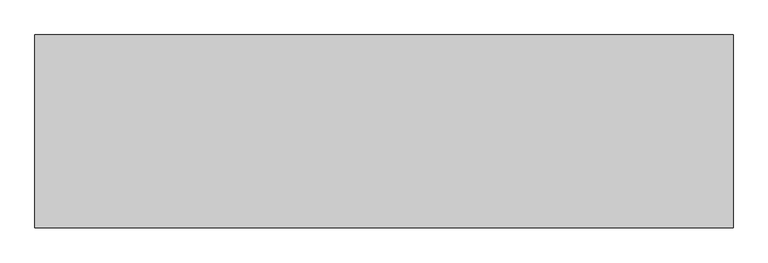
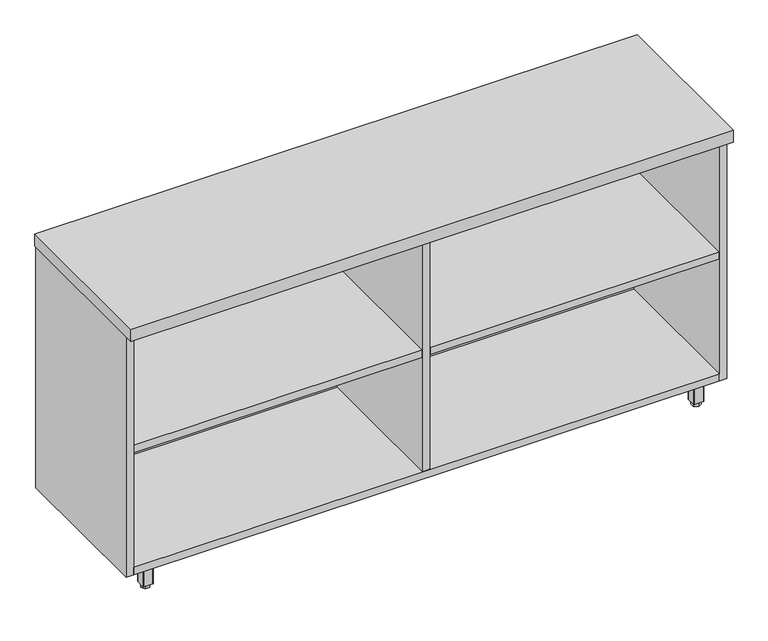
"""IFC4 building model written with IfcOpenShell, lengths in millimetres: furniture geometry."""

from ifc_helpers import new_model, si_unit, point, frame, frame_2d, origin, origin_with_axes, place, context, project, spatial, polyline, circle_curve, trimmed, segment, composite_curve, outline, extrude, source, transform, mapped, element, save


def furniture_92ad686e(model_context):
    return source(origin(), model_context, "Body", "SweptSolid", [
        extrude(outline(composite_curve([segment(trimmed(circle_curve(frame_2d((758.825004, -217.6283713)), 4.445), [point((763.270004, -217.6283713))], [point((754.380004, -217.6283713))], False, "CARTESIAN"), True, "CONTINUOUS"), segment(trimmed(circle_curve(frame_2d((758.825004, -217.6283713)), 4.445), [point((754.380004, -217.6283713))], [point((763.270004, -217.6283713))], False, "CARTESIAN"), True, "CONTINUOUS")], self_intersect=False)), frame((0.0, 0.0, 7.112), z_axis=(0.0, 0.0, 1.0), x_axis=(1.0, 0.0, 0.0)), (0.0, 0.0, 1.0), 2.032),
        extrude(outline(polyline([(764.5122227, -207.7297009), (770.2272227, -217.6283713), (764.5122227, -227.5270417), (753.0822227, -227.5270417), (747.3672227, -217.6283713), (753.0822227, -207.7297009), (764.5122227, -207.7297009)])), origin_with_axes(), (0.0, 0.0, 1.0), 9.144),
        extrude(outline(composite_curve([segment(trimmed(circle_curve(frame_2d((720.598004, -246.2033713)), 3.175), [point((720.598004, -249.3783713))], [point((717.423004, -246.2033713))], False, "CARTESIAN"), True, "CONTINUOUS"), segment(polyline([(717.423004, -246.2033713), (717.423004, -189.0533713)]), True, "CONTINUOUS"), segment(trimmed(circle_curve(frame_2d((720.598004, -189.0533713)), 3.175), [point((717.423004, -189.0533713))], [point((720.598004, -185.8783713))], False, "CARTESIAN"), True, "CONTINUOUS"), segment(polyline([(720.598004, -185.8783713), (797.052004, -185.8783713)]), True, "CONTINUOUS"), segment(trimmed(circle_curve(frame_2d((797.052004, -189.0533713)), 3.175), [point((797.052004, -185.8783713))], [point((800.227004, -189.0533713))], False, "CARTESIAN"), True, "CONTINUOUS"), segment(polyline([(800.227004, -189.0533713), (800.227004, -246.2033713)]), True, "CONTINUOUS"), segment(trimmed(circle_curve(frame_2d((797.052004, -246.2033713)), 3.175), [point((800.227004, -246.2033713))], [point((797.052004, -249.3783713))], False, "CARTESIAN"), True, "CONTINUOUS"), segment(polyline([(797.052004, -249.3783713), (720.598004, -249.3783713)]), True, "CONTINUOUS")], self_intersect=False)), frame((0.0, 0.0, 58.3692), z_axis=(0.0, 0.0, 1.0), x_axis=(1.0, 0.0, 0.0)), (0.0, 0.0, 1.0), 1.89738),
        extrude(outline(composite_curve([segment(polyline([(770.255004, -230.3283713), (747.395004, -230.3283713)]), True, "CONTINUOUS"), segment(trimmed(circle_curve(frame_2d((747.395004, -229.0583713)), 1.27), [point((747.395004, -230.3283713))], [point((746.125004, -229.0583713))], False, "CARTESIAN"), True, "CONTINUOUS"), segment(polyline([(746.125004, -229.0583713), (746.125004, -206.1983713)]), True, "CONTINUOUS"), segment(trimmed(circle_curve(frame_2d((747.395004, -206.1983713)), 1.27), [point((746.125004, -206.1983713))], [point((747.395004, -204.9283713))], False, "CARTESIAN"), True, "CONTINUOUS"), segment(polyline([(747.395004, -204.9283713), (770.255004, -204.9283713)]), True, "CONTINUOUS"), segment(trimmed(circle_curve(frame_2d((770.255004, -206.1983713)), 1.27), [point((770.255004, -204.9283713))], [point((771.525004, -206.1983713))], False, "CARTESIAN"), True, "CONTINUOUS"), segment(polyline([(771.525004, -206.1983713), (771.525004, -229.0583713)]), True, "CONTINUOUS"), segment(trimmed(circle_curve(frame_2d((770.255004, -229.0583713)), 1.27), [point((771.525004, -229.0583713))], [point((770.255004, -230.3283713))], False, "CARTESIAN"), True, "CONTINUOUS")], self_intersect=False)), frame((0.0, 0.0, 9.144), z_axis=(0.0, 0.0, 1.0), x_axis=(1.0, 0.0, 0.0)), (0.0, 0.0, 1.0), 49.2252),
        extrude(outline(polyline([(70.8025, -367.813183), (76.5175, -377.7118534), (70.8025, -387.6105237), (59.3725, -387.6105237), (53.6575, -377.7118534), (59.3725, -367.813183), (70.8025, -367.813183)])), origin_with_axes(), (0.0, 0.0, 1.0), 9.144),
        extrude(outline(composite_curve([segment(trimmed(circle_curve(frame_2d((65.0875, -377.7118534)), 4.445), [point((69.5325, -377.7118534))], [point((60.6425, -377.7118534))], False, "CARTESIAN"), True, "CONTINUOUS"), segment(trimmed(circle_curve(frame_2d((65.0875, -377.7118534)), 4.445), [point((60.6425, -377.7118534))], [point((69.5325, -377.7118534))], False, "CARTESIAN"), True, "CONTINUOUS")], self_intersect=False)), frame((0.0, 0.0, 7.112), z_axis=(0.0, 0.0, 1.0), x_axis=(1.0, 0.0, 0.0)), (0.0, 0.0, 1.0), 2.032),
        extrude(outline(composite_curve([segment(trimmed(circle_curve(frame_2d((11.1125, -393.5868534)), 3.175), [point((11.1125, -396.7618534))], [point((7.9375, -393.5868534))], False, "CARTESIAN"), True, "CONTINUOUS"), segment(polyline([(7.9375, -393.5868534), (7.9375, -323.7368534)]), True, "CONTINUOUS"), segment(trimmed(circle_curve(frame_2d((11.1125, -323.7368534)), 3.175), [point((7.9375, -323.7368534))], [point((11.1125, -320.5618534))], False, "CARTESIAN"), True, "CONTINUOUS"), segment(polyline([(11.1125, -320.5618534), (80.9625, -320.5618534)]), True, "CONTINUOUS"), segment(trimmed(circle_curve(frame_2d((80.9625, -323.7368534)), 3.175), [point((80.9625, -320.5618534))], [point((84.1375, -323.7368534))], False, "CARTESIAN"), True, "CONTINUOUS"), segment(polyline([(84.1375, -323.7368534), (84.1375, -393.5868534)]), True, "CONTINUOUS"), segment(trimmed(circle_curve(frame_2d((80.9625, -393.5868534)), 3.175), [point((84.1375, -393.5868534))], [point((80.9625, -396.7618534))], False, "CARTESIAN"), True, "CONTINUOUS"), segment(polyline([(80.9625, -396.7618534), (11.1125, -396.7618534)]), True, "CONTINUOUS")], self_intersect=False)), frame((0.0, 0.0, 58.3692), z_axis=(0.0, 0.0, 1.0), x_axis=(1.0, 0.0, 0.0)), (0.0, 0.0, 1.0), 1.89738),
        extrude(outline(composite_curve([segment(polyline([(76.5175, -390.4118534), (53.6575, -390.4118534)]), True, "CONTINUOUS"), segment(trimmed(circle_curve(frame_2d((53.6575, -389.1418534)), 1.27), [point((53.6575, -390.4118534))], [point((52.3875, -389.1418534))], False, "CARTESIAN"), True, "CONTINUOUS"), segment(polyline([(52.3875, -389.1418534), (52.3875, -366.2818534)]), True, "CONTINUOUS"), segment(trimmed(circle_curve(frame_2d((53.6575, -366.2818534)), 1.27), [point((52.3875, -366.2818534))], [point((53.6575, -365.0118534))], False, "CARTESIAN"), True, "CONTINUOUS"), segment(polyline([(53.6575, -365.0118534), (76.5175, -365.0118534)]), True, "CONTINUOUS"), segment(trimmed(circle_curve(frame_2d((76.5175, -366.2818534)), 1.27), [point((76.5175, -365.0118534))], [point((77.7875, -366.2818534))], False, "CARTESIAN"), True, "CONTINUOUS"), segment(polyline([(77.7875, -366.2818534), (77.7875, -389.1418534)]), True, "CONTINUOUS"), segment(trimmed(circle_curve(frame_2d((76.5175, -389.1418534)), 1.27), [point((77.7875, -389.1418534))], [point((76.5175, -390.4118534))], False, "CARTESIAN"), True, "CONTINUOUS")], self_intersect=False)), frame((0.0, 0.0, 9.144), z_axis=(0.0, 0.0, 1.0), x_axis=(1.0, 0.0, 0.0)), (0.0, 0.0, 1.0), 49.2252),
        extrude(outline(polyline([(55.1888296, -42.0508713), (65.0875, -36.3358713), (74.9861704, -42.0508713), (74.9861704, -53.4808713), (65.0875, -59.1958713), (55.1888296, -53.4808713), (55.1888296, -42.0508713)])), origin_with_axes(), (0.0, 0.0, 1.0), 9.144),
        extrude(outline(composite_curve([segment(trimmed(circle_curve(frame_2d((65.0875, -47.7658713)), 4.445), [point((65.0875, -43.3208713))], [point((65.0875, -52.2108713))], False, "CARTESIAN"), True, "CONTINUOUS"), segment(trimmed(circle_curve(frame_2d((65.0875, -47.7658713)), 4.445), [point((65.0875, -52.2108713))], [point((65.0875, -43.3208713))], False, "CARTESIAN"), True, "CONTINUOUS")], self_intersect=False)), frame((0.0, 0.0, 7.112), z_axis=(0.0, 0.0, 1.0), x_axis=(1.0, 0.0, 0.0)), (0.0, 0.0, 1.0), 2.032),
        extrude(outline(composite_curve([segment(trimmed(circle_curve(frame_2d((80.9625, -101.7408713)), 3.175), [point((84.1375, -101.7408713))], [point((80.9625, -104.9158713))], False, "CARTESIAN"), True, "CONTINUOUS"), segment(polyline([(80.9625, -104.9158713), (11.1125, -104.9158713)]), True, "CONTINUOUS"), segment(trimmed(circle_curve(frame_2d((11.1125, -101.7408713)), 3.175), [point((11.1125, -104.9158713))], [point((7.9375, -101.7408713))], False, "CARTESIAN"), True, "CONTINUOUS"), segment(polyline([(7.9375, -101.7408713), (7.9375, -31.8908713)]), True, "CONTINUOUS"), segment(trimmed(circle_curve(frame_2d((11.1125, -31.8908713)), 3.175), [point((7.9375, -31.8908713))], [point((11.1125, -28.7158713))], False, "CARTESIAN"), True, "CONTINUOUS"), segment(polyline([(11.1125, -28.7158713), (80.9625, -28.7158713)]), True, "CONTINUOUS"), segment(trimmed(circle_curve(frame_2d((80.9625, -31.8908713)), 3.175), [point((80.9625, -28.7158713))], [point((84.1375, -31.8908713))], False, "CARTESIAN"), True, "CONTINUOUS"), segment(polyline([(84.1375, -31.8908713), (84.1375, -101.7408713)]), True, "CONTINUOUS")], self_intersect=False)), frame((0.0, 0.0, 58.3692), z_axis=(0.0, 0.0, 1.0), x_axis=(1.0, 0.0, 0.0)), (0.0, 0.0, 1.0), 1.89738),
        extrude(outline(composite_curve([segment(polyline([(77.7875, -36.3358713), (77.7875, -59.1958713)]), True, "CONTINUOUS"), segment(trimmed(circle_curve(frame_2d((76.5175, -59.1958713)), 1.27), [point((77.7875, -59.1958713))], [point((76.5175, -60.4658713))], False, "CARTESIAN"), True, "CONTINUOUS"), segment(polyline([(76.5175, -60.4658713), (53.6575, -60.4658713)]), True, "CONTINUOUS"), segment(trimmed(circle_curve(frame_2d((53.6575, -59.1958713)), 1.27), [point((53.6575, -60.4658713))], [point((52.3875, -59.1958713))], False, "CARTESIAN"), True, "CONTINUOUS"), segment(polyline([(52.3875, -59.1958713), (52.3875, -36.3358713)]), True, "CONTINUOUS"), segment(trimmed(circle_curve(frame_2d((53.6575, -36.3358713)), 1.27), [point((52.3875, -36.3358713))], [point((53.6575, -35.0658713))], False, "CARTESIAN"), True, "CONTINUOUS"), segment(polyline([(53.6575, -35.0658713), (76.5175, -35.0658713)]), True, "CONTINUOUS"), segment(trimmed(circle_curve(frame_2d((76.5175, -36.3358713)), 1.27), [point((76.5175, -35.0658713))], [point((77.7875, -36.3358713))], False, "CARTESIAN"), True, "CONTINUOUS")], self_intersect=False)), frame((0.0, 0.0, 9.144), z_axis=(0.0, 0.0, 1.0), x_axis=(1.0, 0.0, 0.0)), (0.0, 0.0, 1.0), 49.2252),
        extrude(outline(polyline([(1446.8475079, -57.6645417), (1441.1325079, -47.7658713), (1446.8475079, -37.8672009), (1458.2775079, -37.8672009), (1463.9925079, -47.7658713), (1458.2775079, -57.6645417), (1446.8475079, -57.6645417)])), origin_with_axes(), (0.0, 0.0, 1.0), 9.144),
        extrude(outline(composite_curve([segment(trimmed(circle_curve(frame_2d((1452.5625079, -47.7658713)), 4.445), [point((1448.1175079, -47.7658713))], [point((1457.0075079, -47.7658713))], False, "CARTESIAN"), True, "CONTINUOUS"), segment(trimmed(circle_curve(frame_2d((1452.5625079, -47.7658713)), 4.445), [point((1457.0075079, -47.7658713))], [point((1448.1175079, -47.7658713))], False, "CARTESIAN"), True, "CONTINUOUS")], self_intersect=False)), frame((0.0, 0.0, 7.112), z_axis=(0.0, 0.0, 1.0), x_axis=(1.0, 0.0, 0.0)), (0.0, 0.0, 1.0), 2.032),
        extrude(outline(composite_curve([segment(trimmed(circle_curve(frame_2d((1506.5375079, -31.8908713)), 3.175), [point((1506.5375079, -28.7158713))], [point((1509.7125079, -31.8908713))], False, "CARTESIAN"), True, "CONTINUOUS"), segment(polyline([(1509.7125079, -31.8908713), (1509.7125079, -101.7408713)]), True, "CONTINUOUS"), segment(trimmed(circle_curve(frame_2d((1506.5375079, -101.7408713)), 3.175), [point((1509.7125079, -101.7408713))], [point((1506.5375079, -104.9158713))], False, "CARTESIAN"), True, "CONTINUOUS"), segment(polyline([(1506.5375079, -104.9158713), (1436.6875079, -104.9158713)]), True, "CONTINUOUS"), segment(trimmed(circle_curve(frame_2d((1436.6875079, -101.7408713)), 3.175), [point((1436.6875079, -104.9158713))], [point((1433.5125079, -101.7408713))], False, "CARTESIAN"), True, "CONTINUOUS"), segment(polyline([(1433.5125079, -101.7408713), (1433.5125079, -31.8908713)]), True, "CONTINUOUS"), segment(trimmed(circle_curve(frame_2d((1436.6875079, -31.8908713)), 3.175), [point((1433.5125079, -31.8908713))], [point((1436.6875079, -28.7158713))], False, "CARTESIAN"), True, "CONTINUOUS"), segment(polyline([(1436.6875079, -28.7158713), (1506.5375079, -28.7158713)]), True, "CONTINUOUS")], self_intersect=False)), frame((0.0, 0.0, 58.3692), z_axis=(0.0, 0.0, 1.0), x_axis=(1.0, 0.0, 0.0)), (0.0, 0.0, 1.0), 1.89738),
        extrude(outline(composite_curve([segment(polyline([(1441.1325079, -35.0658713), (1463.9925079, -35.0658713)]), True, "CONTINUOUS"), segment(trimmed(circle_curve(frame_2d((1463.9925079, -36.3358713)), 1.27), [point((1463.9925079, -35.0658713))], [point((1465.2625079, -36.3358713))], False, "CARTESIAN"), True, "CONTINUOUS"), segment(polyline([(1465.2625079, -36.3358713), (1465.2625079, -59.1958713)]), True, "CONTINUOUS"), segment(trimmed(circle_curve(frame_2d((1463.9925079, -59.1958713)), 1.27), [point((1465.2625079, -59.1958713))], [point((1463.9925079, -60.4658713))], False, "CARTESIAN"), True, "CONTINUOUS"), segment(polyline([(1463.9925079, -60.4658713), (1441.1325079, -60.4658713)]), True, "CONTINUOUS"), segment(trimmed(circle_curve(frame_2d((1441.1325079, -59.1958713)), 1.27), [point((1441.1325079, -60.4658713))], [point((1439.8625079, -59.1958713))], False, "CARTESIAN"), True, "CONTINUOUS"), segment(polyline([(1439.8625079, -59.1958713), (1439.8625079, -36.3358713)]), True, "CONTINUOUS"), segment(trimmed(circle_curve(frame_2d((1441.1325079, -36.3358713)), 1.27), [point((1439.8625079, -36.3358713))], [point((1441.1325079, -35.0658713))], False, "CARTESIAN"), True, "CONTINUOUS")], self_intersect=False)), frame((0.0, 0.0, 9.144), z_axis=(0.0, 0.0, 1.0), x_axis=(1.0, 0.0, 0.0)), (0.0, 0.0, 1.0), 49.2252),
        extrude(outline(polyline([(1462.4611783, -383.4268534), (1452.5625079, -389.1418534), (1442.6638376, -383.4268534), (1442.6638376, -371.9968534), (1452.5625079, -366.2818534), (1462.4611783, -371.9968534), (1462.4611783, -383.4268534)])), origin_with_axes(), (0.0, 0.0, 1.0), 9.144),
        extrude(outline(composite_curve([segment(trimmed(circle_curve(frame_2d((1452.5625079, -377.7118534)), 4.445), [point((1452.5625079, -382.1568534))], [point((1452.5625079, -373.2668534))], False, "CARTESIAN"), True, "CONTINUOUS"), segment(trimmed(circle_curve(frame_2d((1452.5625079, -377.7118534)), 4.445), [point((1452.5625079, -373.2668534))], [point((1452.5625079, -382.1568534))], False, "CARTESIAN"), True, "CONTINUOUS")], self_intersect=False)), frame((0.0, 0.0, 7.112), z_axis=(0.0, 0.0, 1.0), x_axis=(1.0, 0.0, 0.0)), (0.0, 0.0, 1.0), 2.032),
        extrude(outline(composite_curve([segment(trimmed(circle_curve(frame_2d((1436.6875079, -323.7368534)), 3.175), [point((1433.5125079, -323.7368534))], [point((1436.6875079, -320.5618534))], False, "CARTESIAN"), True, "CONTINUOUS"), segment(polyline([(1436.6875079, -320.5618534), (1506.5375079, -320.5618534)]), True, "CONTINUOUS"), segment(trimmed(circle_curve(frame_2d((1506.5375079, -323.7368534)), 3.175), [point((1506.5375079, -320.5618534))], [point((1509.7125079, -323.7368534))], False, "CARTESIAN"), True, "CONTINUOUS"), segment(polyline([(1509.7125079, -323.7368534), (1509.7125079, -393.5868534)]), True, "CONTINUOUS"), segment(trimmed(circle_curve(frame_2d((1506.5375079, -393.5868534)), 3.175), [point((1509.7125079, -393.5868534))], [point((1506.5375079, -396.7618534))], False, "CARTESIAN"), True, "CONTINUOUS"), segment(polyline([(1506.5375079, -396.7618534), (1436.6875079, -396.7618534)]), True, "CONTINUOUS"), segment(trimmed(circle_curve(frame_2d((1436.6875079, -393.5868534)), 3.175), [point((1436.6875079, -396.7618534))], [point((1433.5125079, -393.5868534))], False, "CARTESIAN"), True, "CONTINUOUS"), segment(polyline([(1433.5125079, -393.5868534), (1433.5125079, -323.7368534)]), True, "CONTINUOUS")], self_intersect=False)), frame((0.0, 0.0, 58.3692), z_axis=(0.0, 0.0, 1.0), x_axis=(1.0, 0.0, 0.0)), (0.0, 0.0, 1.0), 1.89738),
        extrude(outline(composite_curve([segment(polyline([(1439.8625079, -389.1418534), (1439.8625079, -366.2818534)]), True, "CONTINUOUS"), segment(trimmed(circle_curve(frame_2d((1441.1325079, -366.2818534)), 1.27), [point((1439.8625079, -366.2818534))], [point((1441.1325079, -365.0118534))], False, "CARTESIAN"), True, "CONTINUOUS"), segment(polyline([(1441.1325079, -365.0118534), (1463.9925079, -365.0118534)]), True, "CONTINUOUS"), segment(trimmed(circle_curve(frame_2d((1463.9925079, -366.2818534)), 1.27), [point((1463.9925079, -365.0118534))], [point((1465.2625079, -366.2818534))], False, "CARTESIAN"), True, "CONTINUOUS"), segment(polyline([(1465.2625079, -366.2818534), (1465.2625079, -389.1418534)]), True, "CONTINUOUS"), segment(trimmed(circle_curve(frame_2d((1463.9925079, -389.1418534)), 1.27), [point((1465.2625079, -389.1418534))], [point((1463.9925079, -390.4118534))], False, "CARTESIAN"), True, "CONTINUOUS"), segment(polyline([(1463.9925079, -390.4118534), (1441.1325079, -390.4118534)]), True, "CONTINUOUS"), segment(trimmed(circle_curve(frame_2d((1441.1325079, -389.1418534)), 1.27), [point((1441.1325079, -390.4118534))], [point((1439.8625079, -389.1418534))], False, "CARTESIAN"), True, "CONTINUOUS")], self_intersect=False)), frame((0.0, 0.0, 9.144), z_axis=(0.0, 0.0, 1.0), x_axis=(1.0, 0.0, 0.0)), (0.0, 0.0, 1.0), 49.2252),
        extrude(outline(polyline([(1496.1235233, -30.4938704), (1496.1235233, -400.8258374), (769.1120079, -400.8258374), (769.1120079, -30.4938704), (1496.1235233, -30.4938704)])), frame((0.0, 0.0, 384.37058), z_axis=(0.0, 0.0, 1.0), x_axis=(1.0, 0.0, 0.0)), (0.0, 0.0, 1.0), 19.304),
        extrude(outline(polyline([(1496.7585233, -30.4938704), (1496.7585233, -402.7308447), (20.8915005, -402.7308447), (20.8915005, -30.4938704), (1496.7585233, -30.4938704)])), frame((0.0, 0.0, 685.546), z_axis=(0.0, 0.0, 1.0), x_axis=(1.0, 0.0, 0.0)), (0.0, 0.0, 1.0), 19.304),
        extrude(outline(polyline([(768.4770079, -30.4938704), (768.4770079, -401.5878548), (749.173, -401.5878548), (749.173, -30.4938704), (768.4770079, -30.4938704)])), frame((0.0, 0.0, 79.57058), z_axis=(0.0, 0.0, 1.0), x_axis=(1.0, 0.0, 0.0)), (0.0, 0.0, 1.0), 605.97542),
        extrude(outline(polyline([(748.538, -30.4938704), (748.538, -400.8258374), (21.5265, -400.8258374), (21.5265, -30.4938704), (748.538, -30.4938704)])), frame((0.0, 0.0, 384.37058), z_axis=(0.0, 0.0, 1.0), x_axis=(1.0, 0.0, 0.0)), (0.0, 0.0, 1.0), 19.304),
        extrude(outline(polyline([(1517.6500079, -8.0783713), (1517.6500079, -427.1783713), (0.0, -427.1783713), (0.0, -8.0783713), (1517.6500079, -8.0783713)])), frame((0.0, 0.0, 704.8500031), z_axis=(0.0, 0.0, 1.0), x_axis=(1.0, 0.0, 0.0)), (0.0, 0.0, 1.0), 31.7499969),
        extrude(outline(polyline([(1496.7585233, -30.4938704), (1496.7585233, -402.7308447), (20.8915005, -402.7308447), (20.8915005, -30.4938704), (1496.7585233, -30.4938704)])), frame((0.0, 0.0, 60.26658), z_axis=(0.0, 0.0, 1.0), x_axis=(1.0, 0.0, 0.0)), (0.0, 0.0, 1.0), 19.304),
        extrude(outline(polyline([(1496.7585233, -11.1898712), (1496.7585233, -30.4938704), (20.8915005, -30.4938704), (20.8915005, -11.1898712), (1496.7585233, -11.1898712)])), frame((0.0, 0.0, 60.26658), z_axis=(0.0, 0.0, 1.0), x_axis=(1.0, 0.0, 0.0)), (0.0, 0.0, 1.0), 644.58342),
        extrude(outline(polyline([(20.8915005, -9.6658713), (20.8915005, -403.1118534), (1.5875, -403.1118534), (1.5875, -9.6658713), (20.8915005, -9.6658713)])), frame((0.0, 0.0, 60.26658), z_axis=(0.0, 0.0, 1.0), x_axis=(1.0, 0.0, 0.0)), (0.0, 0.0, 1.0), 644.58342),
        extrude(outline(polyline([(1496.7585233, -9.6658713), (1516.0625238, -9.6658713), (1516.0625238, -403.1118534), (1496.7585233, -403.1118534), (1496.7585233, -9.6658713)])), frame((0.0, 0.0, 60.26658), z_axis=(0.0, 0.0, 1.0), x_axis=(1.0, 0.0, 0.0)), (0.0, 0.0, 1.0), 644.58342),
    ])


if __name__ == "__main__":
    model = new_model("IFC4")
    model_context = context("Model", 3, world=origin())
    ifc_project = project(units=[si_unit("LENGTHUNIT", "METRE", prefix="MILLI")], contexts=[model_context])
    site = spatial("IfcSite", under=ifc_project)
    building = spatial("IfcBuilding", under=site)
    placement = place(None, origin())
    furniture_shape = furniture_92ad686e(model_context)
    element("IfcFurniture", 1, at=placement, inside=building, context=model_context, shape_type="MappedRepresentation", body=[
        mapped(furniture_shape, transform((0.0, 0.0, 0.0), x_axis=(1.0, 0.0, 0.0), y_axis=(0.0, 1.0, 0.0), z_axis=(0.0, 0.0, 1.0))),
    ])
    save(model, "model.ifc")
